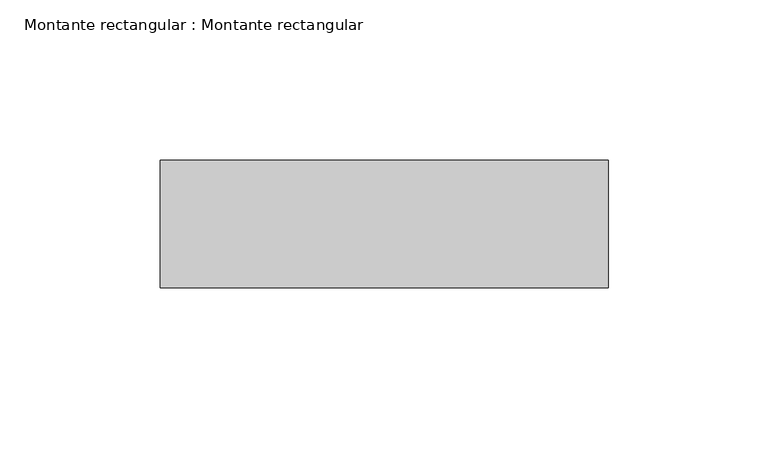
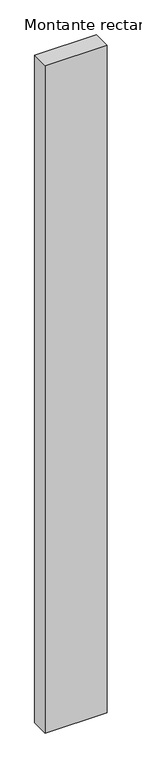
"""IFC4 building model written with IfcOpenShell, lengths in millimetres: member geometry, Montante rectangular : Montante rectangular."""

from ifc_helpers import new_model, si_unit, frame, origin, place, context, project, spatial, polyline, outline, extrude, source, transform, mapped, element, save


def montante_rectangular_montante_rectangular_4fa464d9(model_context):
    return source(origin(), model_context, "Body", "SweptSolid", [
        extrude(outline(polyline([(-140.0, 4.614603), (-140.0, 44.614603), (0.0, 44.614603), (0.0, 4.614603), (-140.0, 4.614603)])), frame((0.0, 0.0, -1594.4303161), z_axis=(0.0, 0.0, 1.0), x_axis=(1.0, 0.0, 0.0)), (0.0, 0.0, 1.0), 1594.4303161),
    ])


if __name__ == "__main__":
    model = new_model("IFC4")
    model_context = context("Model", 3, world=origin())
    ifc_project = project(units=[si_unit("LENGTHUNIT", "METRE", prefix="MILLI")], contexts=[model_context])
    site = spatial("IfcSite", under=ifc_project)
    building = spatial("IfcBuilding", under=site)
    placement = place(None, origin())
    montante_rectangular_montante_rectangular_shape = montante_rectangular_montante_rectangular_4fa464d9(model_context)
    element("IfcMember", 1, ObjectType="Montante rectangular : Montante rectangular", at=placement, inside=building, context=model_context, shape_type="MappedRepresentation", body=[
        mapped(montante_rectangular_montante_rectangular_shape, transform((0.0, 0.0, 0.0), x_axis=(1.0, 0.0, 0.0), y_axis=(0.0, 1.0, 0.0), z_axis=(0.0, 0.0, 1.0))),
    ])
    save(model, "model.ifc")
